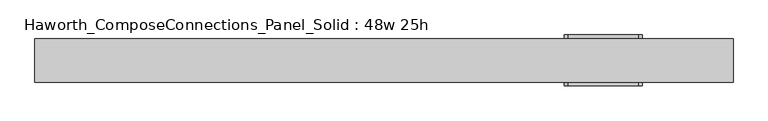
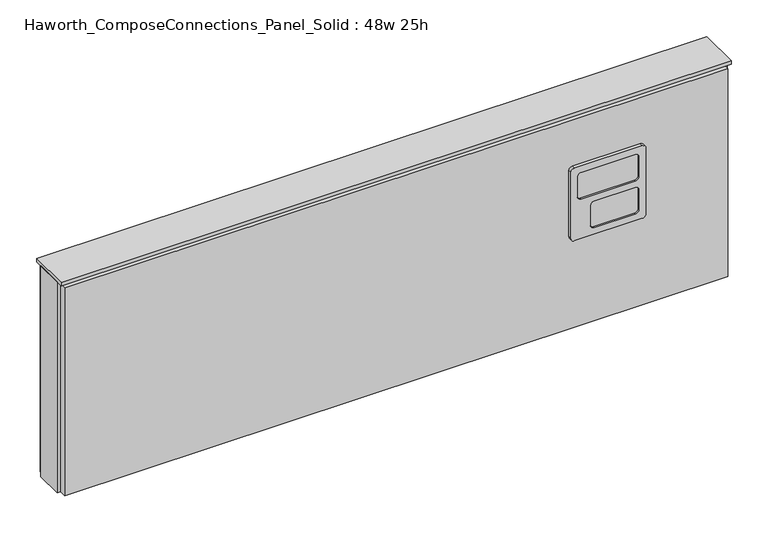
"""IFC4 building model written with IfcOpenShell, lengths in millimetres: furniture geometry, Haworth_ComposeConnections_Panel_Solid : 48w 25h."""

from ifc_helpers import new_model, si_unit, frame, origin, place, context, project, spatial, polyline, circle_curve, outline, extrude, source, transform, mapped, element, save
from ifc_brep_helpers import plane_surface, cylinder_surface, revolved_surface, advanced_brep


def haworth_composeconnections_panel_solid_48w_25h_f955c100(model_context):
    return source(origin(), model_context, "Body", "SolidModel", [
        advanced_brep(
        [(323.1152902, 38.1, 546.1), (316.7652902, 38.1, 539.75), (316.7652902, 38.1, 412.75), (323.1152902, 38.1, 406.4), (446.9402902, 38.1, 406.4), (453.2902902, 38.1, 412.75), (453.2902902, 38.1, 539.75), (446.9402902, 38.1, 546.1), (323.1152902, 44.45, 546.1), (446.9402902, 44.45, 546.1), (453.2902902, 44.45, 539.75), (453.2902902, 44.45, 412.75), (446.9402902, 44.45, 406.4), (323.1152902, 44.45, 406.4), (316.7652902, 44.45, 412.75), (316.7652902, 44.45, 539.75), (335.8152902, 44.45, 533.4), (329.4652902, 44.45, 527.05), (329.4652902, 44.45, 488.95), (335.8152902, 44.45, 482.6), (434.2402902, 44.45, 482.6), (440.5902902, 44.45, 488.95), (440.5902902, 44.45, 527.05), (434.2402902, 44.45, 533.4), (335.8152902, 44.45, 469.9), (329.4652902, 44.45, 463.55), (329.4652902, 44.45, 425.45), (335.8152902, 44.45, 419.1), (410.4277902, 44.45, 419.1), (416.7777902, 44.45, 425.45), (416.7777902, 44.45, 463.55), (410.4277902, 44.45, 469.9), (335.8152902, 41.275, 533.4), (434.2402902, 41.275, 533.4), (440.5902902, 41.275, 527.05), (440.5902902, 41.275, 488.95), (434.2402902, 41.275, 482.6), (335.8152902, 41.275, 482.6), (329.4652902, 41.275, 488.95), (329.4652902, 41.275, 527.05), (335.8152902, 41.275, 469.9), (410.4277902, 41.275, 469.9), (416.7777902, 41.275, 463.55), (416.7777902, 41.275, 425.45), (410.4277902, 41.275, 419.1), (335.8152902, 41.275, 419.1), (329.4652902, 41.275, 425.45), (329.4652902, 41.275, 463.55)],
        [
            (0, 1, circle_curve(frame((323.1152902, 38.1, 539.75), z_axis=(0.0, -1.0, 0.0), x_axis=(1.0, 0.0, 0.0)), 6.35)),
            (1, 2),
            (2, 3, circle_curve(frame((323.1152902, 38.1, 412.75), z_axis=(0.0, -1.0, 0.0), x_axis=(1.0, 0.0, 0.0)), 6.35)),
            (3, 4),
            (4, 5, circle_curve(frame((446.9402902, 38.1, 412.75), z_axis=(0.0, -1.0, 0.0), x_axis=(1.0, 0.0, 0.0)), 6.35)),
            (5, 6),
            (6, 7, circle_curve(frame((446.9402902, 38.1, 539.75), z_axis=(0.0, -1.0, 0.0), x_axis=(1.0, 0.0, 0.0)), 6.35)),
            (7, 0),
            (8, 9),
            (9, 10, circle_curve(frame((446.9402902, 44.45, 539.75), z_axis=(0.0, 1.0, 0.0), x_axis=(1.0, 0.0, 0.0)), 6.35)),
            (10, 11),
            (11, 12, circle_curve(frame((446.9402902, 44.45, 412.75), z_axis=(0.0, 1.0, 0.0), x_axis=(1.0, 0.0, 0.0)), 6.35)),
            (12, 13),
            (13, 14, circle_curve(frame((323.1152902, 44.45, 412.75), z_axis=(0.0, 1.0, 0.0), x_axis=(1.0, 0.0, 0.0)), 6.35)),
            (14, 15),
            (15, 8, circle_curve(frame((323.1152902, 44.45, 539.75), z_axis=(0.0, 1.0, 0.0), x_axis=(1.0, 0.0, 0.0)), 6.35)),
            (16, 17, circle_curve(frame((335.8152902, 44.45, 527.05), z_axis=(0.0, -1.0, 0.0), x_axis=(1.0, 0.0, 0.0)), 6.35)),
            (17, 18),
            (18, 19, circle_curve(frame((335.8152902, 44.45, 488.95), z_axis=(0.0, -1.0, 0.0), x_axis=(1.0, 0.0, 0.0)), 6.35)),
            (19, 20),
            (20, 21, circle_curve(frame((434.2402902, 44.45, 488.95), z_axis=(0.0, -1.0, 0.0), x_axis=(1.0, 0.0, 0.0)), 6.35)),
            (21, 22),
            (22, 23, circle_curve(frame((434.2402902, 44.45, 527.05), z_axis=(0.0, -1.0, 0.0), x_axis=(1.0, 0.0, 0.0)), 6.35)),
            (23, 16),
            (24, 25, circle_curve(frame((335.8152902, 44.45, 463.55), z_axis=(0.0, -1.0, 0.0), x_axis=(1.0, 0.0, 0.0)), 6.35)),
            (25, 26),
            (26, 27, circle_curve(frame((335.8152902, 44.45, 425.45), z_axis=(0.0, -1.0, 0.0), x_axis=(1.0, 0.0, 0.0)), 6.35)),
            (27, 28),
            (28, 29, circle_curve(frame((410.4277902, 44.45, 425.45), z_axis=(0.0, -1.0, 0.0), x_axis=(1.0, 0.0, 0.0)), 6.35)),
            (29, 30),
            (30, 31, circle_curve(frame((410.4277902, 44.45, 463.55), z_axis=(0.0, -1.0, 0.0), x_axis=(1.0, 0.0, 0.0)), 6.35)),
            (31, 24),
            (0, 8),
            (15, 1),
            (14, 2),
            (13, 3),
            (12, 4),
            (11, 5),
            (10, 6),
            (9, 7),
            (32, 33),
            (33, 34, circle_curve(frame((434.2402902, 41.275, 527.05), z_axis=(0.0, 1.0, 0.0), x_axis=(1.0, 0.0, 0.0)), 6.35)),
            (34, 35),
            (35, 36, circle_curve(frame((434.2402902, 41.275, 488.95), z_axis=(0.0, 1.0, 0.0), x_axis=(1.0, 0.0, 0.0)), 6.35)),
            (36, 37),
            (37, 38, circle_curve(frame((335.8152902, 41.275, 488.95), z_axis=(0.0, 1.0, 0.0), x_axis=(1.0, 0.0, 0.0)), 6.35)),
            (38, 39),
            (39, 32, circle_curve(frame((335.8152902, 41.275, 527.05), z_axis=(0.0, 1.0, 0.0), x_axis=(1.0, 0.0, 0.0)), 6.35)),
            (40, 41),
            (41, 42, circle_curve(frame((410.4277902, 41.275, 463.55), z_axis=(0.0, 1.0, 0.0), x_axis=(1.0, 0.0, 0.0)), 6.35)),
            (42, 43),
            (43, 44, circle_curve(frame((410.4277902, 41.275, 425.45), z_axis=(0.0, 1.0, 0.0), x_axis=(1.0, 0.0, 0.0)), 6.35)),
            (44, 45),
            (45, 46, circle_curve(frame((335.8152902, 41.275, 425.45), z_axis=(0.0, 1.0, 0.0), x_axis=(1.0, 0.0, 0.0)), 6.35)),
            (46, 47),
            (47, 40, circle_curve(frame((335.8152902, 41.275, 463.55), z_axis=(0.0, 1.0, 0.0), x_axis=(1.0, 0.0, 0.0)), 6.35)),
            (39, 17),
            (16, 32),
            (38, 18),
            (37, 19),
            (36, 20),
            (35, 21),
            (34, 22),
            (33, 23),
            (47, 25),
            (24, 40),
            (46, 26),
            (45, 27),
            (44, 28),
            (43, 29),
            (42, 30),
            (41, 31),
        ],
        [
            plane_surface(frame((329.4652902, 38.1, 539.75), z_axis=(0.0, -1.0, 0.0), x_axis=(0.0, 0.0, 1.0))),
            plane_surface(frame((329.4652902, 44.45, 539.75), z_axis=(0.0, 1.0, 0.0), x_axis=(0.0, 0.0, -1.0))),
            cylinder_surface(frame((323.1152902, 44.45, 539.75), z_axis=(0.0, -1.0, 0.0), x_axis=(1.0, 0.0, 0.0)), 6.35),
            plane_surface(frame((316.7652902, 38.1, 539.75), z_axis=(-1.0, 0.0, 0.0), x_axis=(0.0, 1.0, 0.0))),
            cylinder_surface(frame((323.1152902, 44.45, 412.75), z_axis=(0.0, -1.0, 0.0), x_axis=(1.0, 0.0, 0.0)), 6.35),
            plane_surface(frame((323.1152902, 38.1, 406.4), z_axis=(0.0, 0.0, -1.0), x_axis=(0.0, 1.0, 0.0))),
            cylinder_surface(frame((446.9402902, 44.45, 412.75), z_axis=(0.0, -1.0, 0.0), x_axis=(1.0, 0.0, 0.0)), 6.35),
            plane_surface(frame((453.2902902, 38.1, 412.75), z_axis=(1.0, 0.0, 0.0), x_axis=(0.0, 1.0, 0.0))),
            cylinder_surface(frame((446.9402902, 44.45, 539.75), z_axis=(0.0, -1.0, 0.0), x_axis=(1.0, 0.0, 0.0)), 6.35),
            plane_surface(frame((446.9402902, 38.1, 546.1), z_axis=(0.0, 0.0, 1.0), x_axis=(0.0, 1.0, 0.0))),
            plane_surface(frame((342.1652902, 41.275, 527.05), z_axis=(0.0, 1.0, 0.0), x_axis=(0.0, 0.0, 1.0))),
            revolved_surface(polyline([(342.1652902, 41.275, 527.05), (342.1652902, 44.45, 527.05)]), (335.8152902, 44.45, 527.05), (0.0, -1.0, 0.0)),
            plane_surface(frame((329.4652902, 41.275, 527.05), z_axis=(1.0, 0.0, 0.0), x_axis=(0.0, 1.0, 0.0))),
            revolved_surface(polyline([(342.1652902, 41.275, 488.95), (342.1652902, 44.45, 488.95)]), (335.8152902, 44.45, 488.95), (0.0, -1.0, 0.0)),
            plane_surface(frame((335.8152902, 41.275, 482.6), z_axis=(0.0, 0.0, 1.0), x_axis=(0.0, 1.0, 0.0))),
            revolved_surface(polyline([(440.5902902, 41.275, 488.95), (440.5902902, 44.45, 488.95)]), (434.2402902, 44.45, 488.95), (0.0, -1.0, 0.0)),
            plane_surface(frame((440.5902902, 41.275, 488.95), z_axis=(-1.0, 0.0, 0.0), x_axis=(0.0, 1.0, 0.0))),
            revolved_surface(polyline([(440.5902902, 41.275, 527.05), (440.5902902, 44.45, 527.05)]), (434.2402902, 44.45, 527.05), (0.0, -1.0, 0.0)),
            plane_surface(frame((434.2402902, 41.275, 533.4), z_axis=(0.0, 0.0, -1.0), x_axis=(0.0, 1.0, 0.0))),
            revolved_surface(polyline([(342.1652902, 41.275, 463.55), (342.1652902, 44.45, 463.55)]), (335.8152902, 44.45, 463.55), (0.0, -1.0, 0.0)),
            plane_surface(frame((329.4652902, 41.275, 463.55), z_axis=(1.0, 0.0, 0.0), x_axis=(0.0, 1.0, 0.0))),
            revolved_surface(polyline([(342.1652902, 41.275, 425.45), (342.1652902, 44.45, 425.45)]), (335.8152902, 44.45, 425.45), (0.0, -1.0, 0.0)),
            plane_surface(frame((335.8152902, 41.275, 419.1), z_axis=(0.0, 0.0, 1.0), x_axis=(0.0, 1.0, 0.0))),
            revolved_surface(polyline([(416.7777902, 41.275, 425.45), (416.7777902, 44.45, 425.45)]), (410.4277902, 44.45, 425.45), (0.0, -1.0, 0.0)),
            plane_surface(frame((416.7777902, 41.275, 425.45), z_axis=(-1.0, 0.0, 0.0), x_axis=(0.0, 1.0, 0.0))),
            revolved_surface(polyline([(416.7777902, 41.275, 463.55), (416.7777902, 44.45, 463.55)]), (410.4277902, 44.45, 463.55), (0.0, -1.0, 0.0)),
            plane_surface(frame((410.4277902, 41.275, 469.9), z_axis=(0.0, 0.0, -1.0), x_axis=(0.0, 1.0, 0.0))),
        ],
        [
            (0, [[1, 2, 3, 4, 5, 6, 7, 8]]),
            (1, [[9, 10, 11, 12, 13, 14, 15, 16], [17, 18, 19, 20, 21, 22, 23, 24], [25, 26, 27, 28, 29, 30, 31, 32]]),
            (2, [[-1, 33, -16, 34]]),
            (3, [[-2, -34, -15, 35]]),
            (4, [[-3, -35, -14, 36]]),
            (5, [[-4, -36, -13, 37]]),
            (6, [[-5, -37, -12, 38]]),
            (7, [[-6, -38, -11, 39]]),
            (8, [[-7, -39, -10, 40]]),
            (9, [[-8, -40, -9, -33]]),
            (10, [[41, 42, 43, 44, 45, 46, 47, 48]]),
            (10, [[49, 50, 51, 52, 53, 54, 55, 56]]),
            (11, [[-48, 57, -17, 58]]),
            (12, [[-47, 59, -18, -57]]),
            (13, [[-46, 60, -19, -59]]),
            (14, [[-45, 61, -20, -60]]),
            (15, [[-44, 62, -21, -61]]),
            (16, [[-43, 63, -22, -62]]),
            (17, [[-42, 64, -23, -63]]),
            (18, [[-41, -58, -24, -64]]),
            (19, [[-56, 65, -25, 66]]),
            (20, [[-55, 67, -26, -65]]),
            (21, [[-54, 68, -27, -67]]),
            (22, [[-53, 69, -28, -68]]),
            (23, [[-52, 70, -29, -69]]),
            (24, [[-51, 71, -30, -70]]),
            (25, [[-50, 72, -31, -71]]),
            (26, [[-49, -66, -32, -72]]),
        ],
    ),
        advanced_brep(
        [(446.9402902, -38.1, 546.1), (453.2902902, -38.1, 539.75), (453.2902902, -38.1, 412.75), (446.9402902, -38.1, 406.4), (323.1152902, -38.1, 406.4), (316.7652902, -38.1, 412.75), (316.7652902, -38.1, 539.75), (323.1152902, -38.1, 546.1), (446.9402902, -44.45, 546.1), (323.1152902, -44.45, 546.1), (316.7652902, -44.45, 539.75), (316.7652902, -44.45, 412.75), (323.1152902, -44.45, 406.4), (446.9402902, -44.45, 406.4), (453.2902902, -44.45, 412.75), (453.2902902, -44.45, 539.75), (434.2402902, -44.45, 533.4), (440.5902902, -44.45, 527.05), (440.5902902, -44.45, 488.95), (434.2402902, -44.45, 482.6), (335.8152902, -44.45, 482.6), (329.4652902, -44.45, 488.95), (329.4652902, -44.45, 527.05), (335.8152902, -44.45, 533.4), (434.2402902, -44.45, 469.9), (440.5902902, -44.45, 463.55), (440.5902902, -44.45, 425.45), (434.2402902, -44.45, 419.1), (359.6277902, -44.45, 419.1), (353.2777902, -44.45, 425.45), (353.2777902, -44.45, 463.55), (359.6277902, -44.45, 469.9), (434.2402902, -41.275, 533.4), (335.8152902, -41.275, 533.4), (329.4652902, -41.275, 527.05), (329.4652902, -41.275, 488.95), (335.8152902, -41.275, 482.6), (434.2402902, -41.275, 482.6), (440.5902902, -41.275, 488.95), (440.5902902, -41.275, 527.05), (434.2402902, -41.275, 469.9), (359.6277902, -41.275, 469.9), (353.2777902, -41.275, 463.55), (353.2777902, -41.275, 425.45), (359.6277902, -41.275, 419.1), (434.2402902, -41.275, 419.1), (440.5902902, -41.275, 425.45), (440.5902902, -41.275, 463.55)],
        [
            (0, 1, circle_curve(frame((446.9402902, -38.1, 539.75), z_axis=(0.0, 1.0, 0.0), x_axis=(-1.0, 0.0, 0.0)), 6.35)),
            (1, 2),
            (2, 3, circle_curve(frame((446.9402902, -38.1, 412.75), z_axis=(0.0, 1.0, 0.0), x_axis=(-1.0, 0.0, 0.0)), 6.35)),
            (3, 4),
            (4, 5, circle_curve(frame((323.1152902, -38.1, 412.75), z_axis=(0.0, 1.0, 0.0), x_axis=(-1.0, 0.0, 0.0)), 6.35)),
            (5, 6),
            (6, 7, circle_curve(frame((323.1152902, -38.1, 539.75), z_axis=(0.0, 1.0, 0.0), x_axis=(-1.0, 0.0, 0.0)), 6.35)),
            (7, 0),
            (8, 9),
            (9, 10, circle_curve(frame((323.1152902, -44.45, 539.75), z_axis=(0.0, -1.0, 0.0), x_axis=(-1.0, 0.0, 0.0)), 6.35)),
            (10, 11),
            (11, 12, circle_curve(frame((323.1152902, -44.45, 412.75), z_axis=(0.0, -1.0, 0.0), x_axis=(-1.0, 0.0, 0.0)), 6.35)),
            (12, 13),
            (13, 14, circle_curve(frame((446.9402902, -44.45, 412.75), z_axis=(0.0, -1.0, 0.0), x_axis=(-1.0, 0.0, 0.0)), 6.35)),
            (14, 15),
            (15, 8, circle_curve(frame((446.9402902, -44.45, 539.75), z_axis=(0.0, -1.0, 0.0), x_axis=(-1.0, 0.0, 0.0)), 6.35)),
            (16, 17, circle_curve(frame((434.2402902, -44.45, 527.05), z_axis=(0.0, 1.0, 0.0), x_axis=(-1.0, 0.0, 0.0)), 6.35)),
            (17, 18),
            (18, 19, circle_curve(frame((434.2402902, -44.45, 488.95), z_axis=(0.0, 1.0, 0.0), x_axis=(-1.0, 0.0, 0.0)), 6.35)),
            (19, 20),
            (20, 21, circle_curve(frame((335.8152902, -44.45, 488.95), z_axis=(0.0, 1.0, 0.0), x_axis=(-1.0, 0.0, 0.0)), 6.35)),
            (21, 22),
            (22, 23, circle_curve(frame((335.8152902, -44.45, 527.05), z_axis=(0.0, 1.0, 0.0), x_axis=(-1.0, 0.0, 0.0)), 6.35)),
            (23, 16),
            (24, 25, circle_curve(frame((434.2402902, -44.45, 463.55), z_axis=(0.0, 1.0, 0.0), x_axis=(-1.0, 0.0, 0.0)), 6.35)),
            (25, 26),
            (26, 27, circle_curve(frame((434.2402902, -44.45, 425.45), z_axis=(0.0, 1.0, 0.0), x_axis=(-1.0, 0.0, 0.0)), 6.35)),
            (27, 28),
            (28, 29, circle_curve(frame((359.6277902, -44.45, 425.45), z_axis=(0.0, 1.0, 0.0), x_axis=(-1.0, 0.0, 0.0)), 6.35)),
            (29, 30),
            (30, 31, circle_curve(frame((359.6277902, -44.45, 463.55), z_axis=(0.0, 1.0, 0.0), x_axis=(-1.0, 0.0, 0.0)), 6.35)),
            (31, 24),
            (0, 8),
            (15, 1),
            (14, 2),
            (13, 3),
            (12, 4),
            (11, 5),
            (10, 6),
            (9, 7),
            (32, 33),
            (33, 34, circle_curve(frame((335.8152902, -41.275, 527.05), z_axis=(0.0, -1.0, 0.0), x_axis=(-1.0, 0.0, 0.0)), 6.35)),
            (34, 35),
            (35, 36, circle_curve(frame((335.8152902, -41.275, 488.95), z_axis=(0.0, -1.0, 0.0), x_axis=(-1.0, 0.0, 0.0)), 6.35)),
            (36, 37),
            (37, 38, circle_curve(frame((434.2402902, -41.275, 488.95), z_axis=(0.0, -1.0, 0.0), x_axis=(-1.0, 0.0, 0.0)), 6.35)),
            (38, 39),
            (39, 32, circle_curve(frame((434.2402902, -41.275, 527.05), z_axis=(0.0, -1.0, 0.0), x_axis=(-1.0, 0.0, 0.0)), 6.35)),
            (40, 41),
            (41, 42, circle_curve(frame((359.6277902, -41.275, 463.55), z_axis=(0.0, -1.0, 0.0), x_axis=(-1.0, 0.0, 0.0)), 6.35)),
            (42, 43),
            (43, 44, circle_curve(frame((359.6277902, -41.275, 425.45), z_axis=(0.0, -1.0, 0.0), x_axis=(-1.0, 0.0, 0.0)), 6.35)),
            (44, 45),
            (45, 46, circle_curve(frame((434.2402902, -41.275, 425.45), z_axis=(0.0, -1.0, 0.0), x_axis=(-1.0, 0.0, 0.0)), 6.35)),
            (46, 47),
            (47, 40, circle_curve(frame((434.2402902, -41.275, 463.55), z_axis=(0.0, -1.0, 0.0), x_axis=(-1.0, 0.0, 0.0)), 6.35)),
            (39, 17),
            (16, 32),
            (38, 18),
            (37, 19),
            (36, 20),
            (35, 21),
            (34, 22),
            (33, 23),
            (47, 25),
            (24, 40),
            (46, 26),
            (45, 27),
            (44, 28),
            (43, 29),
            (42, 30),
            (41, 31),
        ],
        [
            plane_surface(frame((440.5902902, -38.1, 539.75), z_axis=(0.0, 1.0, 0.0), x_axis=(0.0, 0.0, 1.0))),
            plane_surface(frame((440.5902902, -44.45, 539.75), z_axis=(0.0, -1.0, 0.0), x_axis=(0.0, 0.0, -1.0))),
            cylinder_surface(frame((446.9402902, -44.45, 539.75), z_axis=(0.0, 1.0, 0.0), x_axis=(-1.0, 0.0, 0.0)), 6.35),
            plane_surface(frame((453.2902902, -38.1, 539.75), z_axis=(1.0, 0.0, 0.0), x_axis=(0.0, -1.0, 0.0))),
            cylinder_surface(frame((446.9402902, -44.45, 412.75), z_axis=(0.0, 1.0, 0.0), x_axis=(-1.0, 0.0, 0.0)), 6.35),
            plane_surface(frame((446.9402902, -38.1, 406.4), z_axis=(0.0, 0.0, -1.0), x_axis=(0.0, -1.0, 0.0))),
            cylinder_surface(frame((323.1152902, -44.45, 412.75), z_axis=(0.0, 1.0, 0.0), x_axis=(-1.0, 0.0, 0.0)), 6.35),
            plane_surface(frame((316.7652902, -38.1, 412.75), z_axis=(-1.0, 0.0, 0.0), x_axis=(0.0, -1.0, 0.0))),
            cylinder_surface(frame((323.1152902, -44.45, 539.75), z_axis=(0.0, 1.0, 0.0), x_axis=(-1.0, 0.0, 0.0)), 6.35),
            plane_surface(frame((323.1152902, -38.1, 546.1), z_axis=(0.0, 0.0, 1.0), x_axis=(0.0, -1.0, 0.0))),
            plane_surface(frame((427.8902902, -41.275, 527.05), z_axis=(0.0, -1.0, 0.0), x_axis=(0.0, 0.0, 1.0))),
            revolved_surface(polyline([(427.8902902, -41.275, 527.05), (427.8902902, -44.45, 527.05)]), (434.2402902, -44.45, 527.05), (0.0, 1.0, 0.0)),
            plane_surface(frame((440.5902902, -41.275, 527.05), z_axis=(-1.0, 0.0, 0.0), x_axis=(0.0, -1.0, 0.0))),
            revolved_surface(polyline([(427.8902902, -41.275, 488.95), (427.8902902, -44.45, 488.95)]), (434.2402902, -44.45, 488.95), (0.0, 1.0, 0.0)),
            plane_surface(frame((434.2402902, -41.275, 482.6), z_axis=(0.0, 0.0, 1.0), x_axis=(0.0, -1.0, 0.0))),
            revolved_surface(polyline([(329.46529019999997, -41.275, 488.95), (329.46529019999997, -44.45, 488.95)]), (335.8152902, -44.45, 488.95), (0.0, 1.0, 0.0)),
            plane_surface(frame((329.4652902, -41.275, 488.95), z_axis=(1.0, 0.0, 0.0), x_axis=(0.0, -1.0, 0.0))),
            revolved_surface(polyline([(329.46529019999997, -41.275, 527.05), (329.46529019999997, -44.45, 527.05)]), (335.8152902, -44.45, 527.05), (0.0, 1.0, 0.0)),
            plane_surface(frame((335.8152902, -41.275, 533.4), z_axis=(0.0, 0.0, -1.0), x_axis=(0.0, -1.0, 0.0))),
            revolved_surface(polyline([(427.8902902, -41.275, 463.55), (427.8902902, -44.45, 463.55)]), (434.2402902, -44.45, 463.55), (0.0, 1.0, 0.0)),
            plane_surface(frame((440.5902902, -41.275, 463.55), z_axis=(-1.0, 0.0, 0.0), x_axis=(0.0, -1.0, 0.0))),
            revolved_surface(polyline([(427.8902902, -41.275, 425.45), (427.8902902, -44.45, 425.45)]), (434.2402902, -44.45, 425.45), (0.0, 1.0, 0.0)),
            plane_surface(frame((434.2402902, -41.275, 419.1), z_axis=(0.0, 0.0, 1.0), x_axis=(0.0, -1.0, 0.0))),
            revolved_surface(polyline([(353.27779019999997, -41.275, 425.45), (353.27779019999997, -44.45, 425.45)]), (359.6277902, -44.45, 425.45), (0.0, 1.0, 0.0)),
            plane_surface(frame((353.2777902, -41.275, 425.45), z_axis=(1.0, 0.0, 0.0), x_axis=(0.0, -1.0, 0.0))),
            revolved_surface(polyline([(353.27779019999997, -41.275, 463.55), (353.27779019999997, -44.45, 463.55)]), (359.6277902, -44.45, 463.55), (0.0, 1.0, 0.0)),
            plane_surface(frame((359.6277902, -41.275, 469.9), z_axis=(0.0, 0.0, -1.0), x_axis=(0.0, -1.0, 0.0))),
        ],
        [
            (0, [[1, 2, 3, 4, 5, 6, 7, 8]]),
            (1, [[9, 10, 11, 12, 13, 14, 15, 16], [17, 18, 19, 20, 21, 22, 23, 24], [25, 26, 27, 28, 29, 30, 31, 32]]),
            (2, [[-1, 33, -16, 34]]),
            (3, [[-2, -34, -15, 35]]),
            (4, [[-3, -35, -14, 36]]),
            (5, [[-4, -36, -13, 37]]),
            (6, [[-5, -37, -12, 38]]),
            (7, [[-6, -38, -11, 39]]),
            (8, [[-7, -39, -10, 40]]),
            (9, [[-8, -40, -9, -33]]),
            (10, [[41, 42, 43, 44, 45, 46, 47, 48]]),
            (10, [[49, 50, 51, 52, 53, 54, 55, 56]]),
            (11, [[-48, 57, -17, 58]]),
            (12, [[-47, 59, -18, -57]]),
            (13, [[-46, 60, -19, -59]]),
            (14, [[-45, 61, -20, -60]]),
            (15, [[-44, 62, -21, -61]]),
            (16, [[-43, 63, -22, -62]]),
            (17, [[-42, 64, -23, -63]]),
            (18, [[-41, -58, -24, -64]]),
            (19, [[-56, 65, -25, 66]]),
            (20, [[-55, 67, -26, -65]]),
            (21, [[-54, 68, -27, -67]]),
            (22, [[-53, 69, -28, -68]]),
            (23, [[-52, 70, -29, -69]]),
            (24, [[-51, 71, -30, -70]]),
            (25, [[-50, 72, -31, -71]]),
            (26, [[-49, -66, -32, -72]]),
        ],
    ),
        extrude(outline(polyline([(612.0402902, -25.4), (-607.1597098, -25.4), (-607.1597098, 25.4), (612.0402902, 25.4), (612.0402902, -25.4)])), frame((0.0, 0.0, 234.95), z_axis=(0.0, 0.0, 1.0), x_axis=(1.0, 0.0, 0.0)), (0.0, 0.0, 1.0), 406.4),
        extrude(outline(polyline([(-600.8097098, -25.4), (605.6902902, -25.4), (605.6902902, -38.1), (-600.8097098, -38.1), (-600.8097098, -25.4)])), frame((0.0, 0.0, 234.95), z_axis=(0.0, 0.0, 1.0), x_axis=(1.0, 0.0, 0.0)), (0.0, 0.0, 1.0), 400.05),
        extrude(outline(polyline([(-600.8097098, 38.1), (605.6902902, 38.1), (605.6902902, 25.4), (-600.8097098, 25.4), (-600.8097098, 38.1)])), frame((0.0, 0.0, 234.95), z_axis=(0.0, 0.0, 1.0), x_axis=(1.0, 0.0, 0.0)), (0.0, 0.0, 1.0), 400.05),
        extrude(outline(polyline([(-607.1597098, -38.1), (-607.1597098, 38.1), (612.0402902, 38.1), (612.0402902, -38.1), (-607.1597098, -38.1)])), frame((0.0, 0.0, 641.35), z_axis=(0.0, 0.0, 1.0), x_axis=(1.0, 0.0, 0.0)), (0.0, 0.0, 1.0), 6.35),
    ])


if __name__ == "__main__":
    model = new_model("IFC4")
    model_context = context("Model", 3, world=origin())
    ifc_project = project(units=[si_unit("LENGTHUNIT", "METRE", prefix="MILLI")], contexts=[model_context])
    site = spatial("IfcSite", under=ifc_project)
    building = spatial("IfcBuilding", under=site)
    placement = place(None, origin())
    haworth_composeconnections_panel_solid_48w_25h_shape = haworth_composeconnections_panel_solid_48w_25h_f955c100(model_context)
    element("IfcFurniture", 1, ObjectType="Haworth_ComposeConnections_Panel_Solid : 48w 25h", at=placement, inside=building, context=model_context, shape_type="MappedRepresentation", body=[
        mapped(haworth_composeconnections_panel_solid_48w_25h_shape, transform((0.0, 0.0, 0.0), x_axis=(1.0, 0.0, 0.0), y_axis=(0.0, 1.0, 0.0), z_axis=(0.0, 0.0, 1.0))),
    ])
    save(model, "model.ifc")
